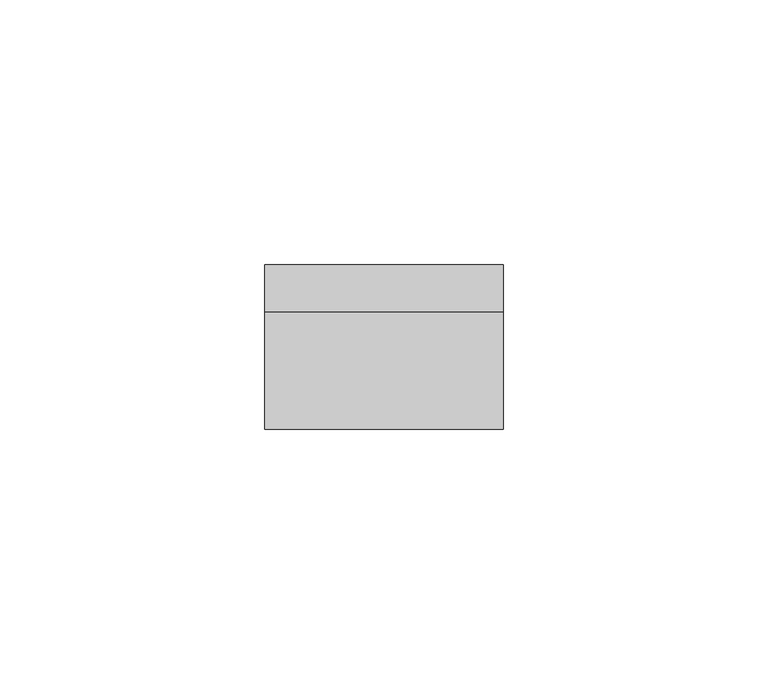
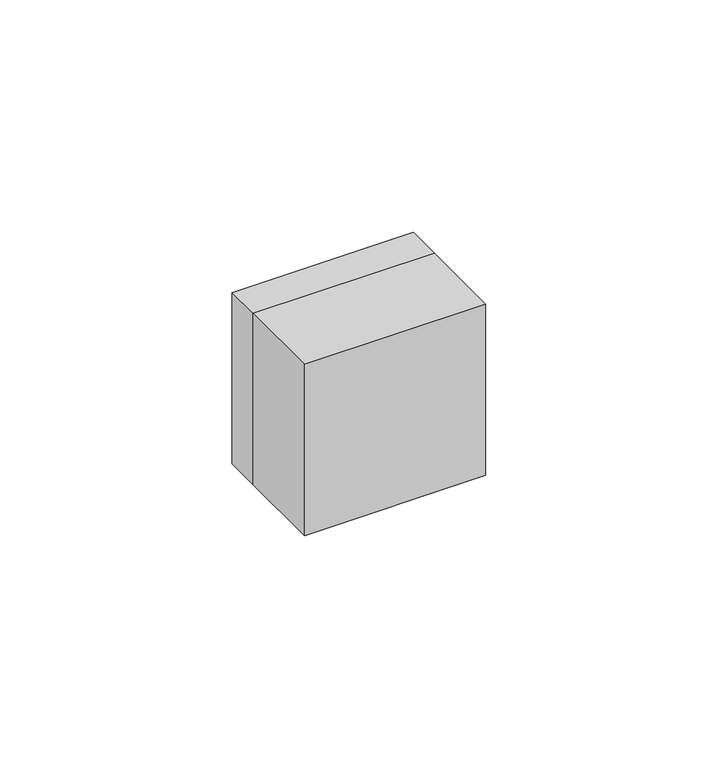
"""IFC4 building model written with IfcOpenShell, lengths in millimetres: electric appliance geometry."""

from ifc_helpers import new_model, si_unit, frame, origin, place, context, project, spatial, polyline, outline, extrude, source, transform, mapped, element, save


def electric_appliance_44259fe8(model_context):
    return source(origin(), model_context, "Body", "SweptSolid", [
        extrude(outline(polyline([(5.25, 0.0), (-5.25, 0.0), (-5.25, 9.0), (5.25, 9.0), (5.25, 0.0)])), frame((0.0, 0.0, -11.19), z_axis=(0.0, 0.0, 1.0), x_axis=(1.0, 0.0, 0.0)), (0.0, 0.0, 1.0), 1.5),
        extrude(outline(polyline([(5.25, 0.0), (-5.25, 0.0), (-5.25, 9.0), (5.25, 9.0), (5.25, 0.0)])), frame((0.0, 0.0, 11.31), z_axis=(0.0, 0.0, 1.0), x_axis=(1.0, 0.0, 0.0)), (0.0, 0.0, 1.0), 1.5),
        extrude(outline(polyline([(22.5, -22.0), (-22.5, -22.0), (-22.5, 0.0), (22.5, 0.0), (22.5, -22.0)])), frame((0.0, 0.0, -22.5), z_axis=(0.0, 0.0, 1.0), x_axis=(1.0, 0.0, 0.0)), (0.0, 0.0, 1.0), 45.0),
        extrude(outline(polyline([(22.5, 22.5), (22.5, -22.5), (-22.5, -22.5), (-22.5, 22.5), (22.5, 22.5)]), holes=[polyline([(8.69, -6.25), (13.81, -6.25), (13.81, 6.25), (8.69, 6.25), (8.69, -6.25)]), polyline([(-13.81, -6.25), (-8.69, -6.25), (-8.69, 6.25), (-13.81, 6.25), (-13.81, -6.25)])]), frame((0.0, 0.0, 0.0), z_axis=(0.0, 1.0, 0.0), x_axis=(0.0, 0.0, 1.0)), (0.0, 0.0, 1.0), 9.0),
    ])


if __name__ == "__main__":
    model = new_model("IFC4")
    model_context = context("Model", 3, world=origin())
    ifc_project = project(units=[si_unit("LENGTHUNIT", "METRE", prefix="MILLI")], contexts=[model_context])
    site = spatial("IfcSite", under=ifc_project)
    building = spatial("IfcBuilding", under=site)
    placement = place(None, origin())
    electric_appliance_shape = electric_appliance_44259fe8(model_context)
    element("IfcElectricAppliance", 1, at=placement, inside=building, context=model_context, shape_type="MappedRepresentation", body=[
        mapped(electric_appliance_shape, transform((0.0, 0.0, 0.0), x_axis=(1.0, 0.0, 0.0), y_axis=(0.0, 1.0, 0.0), z_axis=(0.0, 0.0, 1.0))),
    ])
    save(model, "model.ifc")
